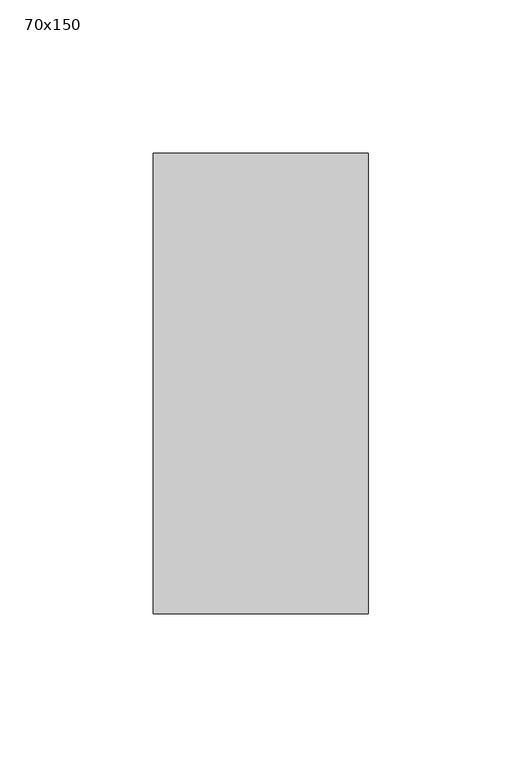
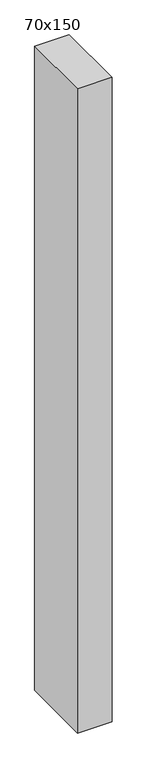
"""IFC4 building model written with IfcOpenShell, lengths in millimetres: member geometry, 70x150."""

from ifc_helpers import new_model, si_unit, frame, origin, place, context, project, spatial, polyline, outline, extrude, source, transform, mapped, element, save


def member_70x150_60929d19(model_context):
    return source(origin(), model_context, "Body", "SweptSolid", [
        extrude(outline(polyline([(-75.0, 0.0), (75.0, 0.0), (75.0, -1378.4748048), (-75.0, -1378.7045355), (-75.0, 0.0)])), frame((-70.0, 0.0, 0.0), z_axis=(1.0, 0.0, 0.0), x_axis=(0.0, 1.0, 0.0)), (0.0, 0.0, 1.0), 70.0),
    ])


if __name__ == "__main__":
    model = new_model("IFC4")
    model_context = context("Model", 3, world=origin())
    ifc_project = project(units=[si_unit("LENGTHUNIT", "METRE", prefix="MILLI")], contexts=[model_context])
    site = spatial("IfcSite", under=ifc_project)
    building = spatial("IfcBuilding", under=site)
    placement = place(None, origin())
    member_70x150_shape = member_70x150_60929d19(model_context)
    element("IfcMember", 1, ObjectType="70x150", at=placement, inside=building, context=model_context, shape_type="MappedRepresentation", body=[
        mapped(member_70x150_shape, transform((0.0, 0.0, 0.0), x_axis=(1.0, 0.0, 0.0), y_axis=(0.0, 1.0, 0.0), z_axis=(0.0, 0.0, 1.0))),
    ])
    save(model, "model.ifc")
